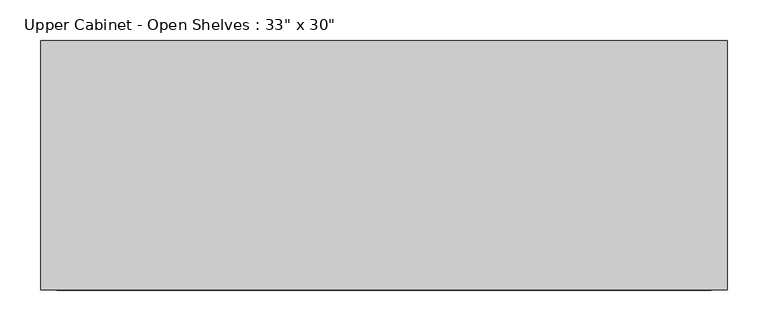
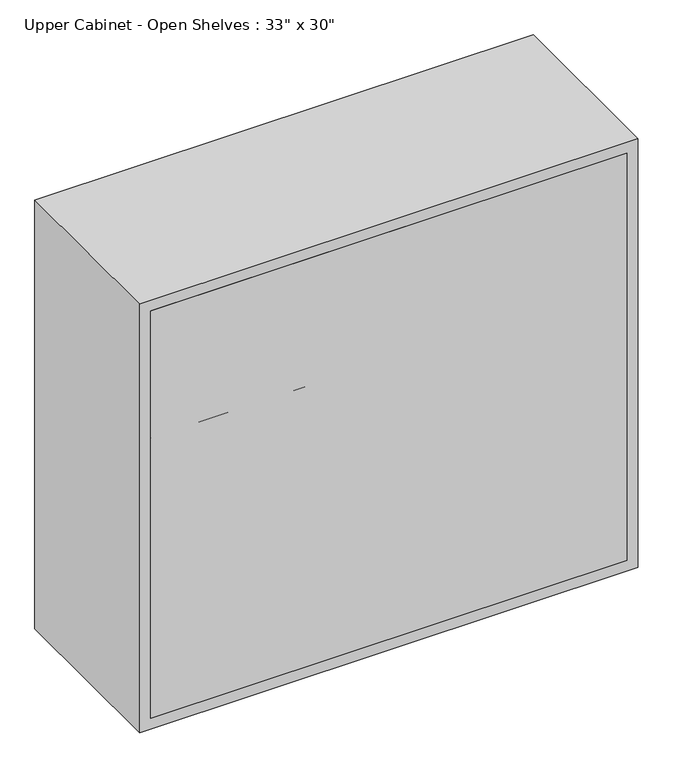
"""IFC4 building model written with IfcOpenShell, lengths in millimetres: furniture geometry."""

from ifc_helpers import new_model, si_unit, frame, origin, place, context, project, spatial, polyline, outline, extrude, source, transform, mapped, element, save


def furniture_ef337a7c(model_context):
    return source(origin(), model_context, "Body", "SweptSolid", [
        extrude(outline(polyline([(400.05, 96.8375), (-400.05, 96.8375), (-400.05, 115.8875), (400.05, 115.8875), (400.05, 96.8375)])), frame((0.0, 0.0, 1390.65), z_axis=(0.0, 0.0, 1.0), x_axis=(1.0, 0.0, 0.0)), (0.0, 0.0, 1.0), 723.9),
        extrude(outline(polyline([(400.05, 96.8375), (-400.05, 96.8375), (-400.05, 401.6375), (400.05, 401.6375), (400.05, 96.8375)])), frame((0.0, 0.0, 1616.075), z_axis=(0.0, 0.0, 1.0), x_axis=(1.0, 0.0, 0.0)), (0.0, 0.0, 1.0), 19.05),
        extrude(outline(polyline([(400.05, 96.8375), (-400.05, 96.8375), (-400.05, 401.6375), (400.05, 401.6375), (400.05, 96.8375)])), frame((0.0, 0.0, 1870.075), z_axis=(0.0, 0.0, 1.0), x_axis=(1.0, 0.0, 0.0)), (0.0, 0.0, 1.0), 19.05),
        extrude(outline(polyline([(2133.6, -419.1), (1371.6, -419.1), (1371.6, 419.1), (2133.6, 419.1), (2133.6, -419.1)]), holes=[polyline([(2114.55, -400.05), (2114.55, 400.05), (1390.65, 400.05), (1390.65, -400.05), (2114.55, -400.05)])]), frame((0.0, 96.8375, 0.0), z_axis=(0.0, 1.0, 0.0), x_axis=(0.0, 0.0, 1.0)), (0.0, 0.0, 1.0), 304.8),
    ])


if __name__ == "__main__":
    model = new_model("IFC4")
    model_context = context("Model", 3, world=origin())
    ifc_project = project(units=[si_unit("LENGTHUNIT", "METRE", prefix="MILLI")], contexts=[model_context])
    site = spatial("IfcSite", under=ifc_project)
    building = spatial("IfcBuilding", under=site)
    placement = place(None, origin())
    furniture_shape = furniture_ef337a7c(model_context)
    element("IfcFurniture", 1, ObjectType="Upper Cabinet - Open Shelves : 33\" x 30\"", at=placement, inside=building, context=model_context, shape_type="MappedRepresentation", body=[
        mapped(furniture_shape, transform((0.0, 0.0, 0.0), x_axis=(1.0, 0.0, 0.0), y_axis=(0.0, 1.0, 0.0), z_axis=(0.0, 0.0, 1.0))),
    ])
    save(model, "model.ifc")
